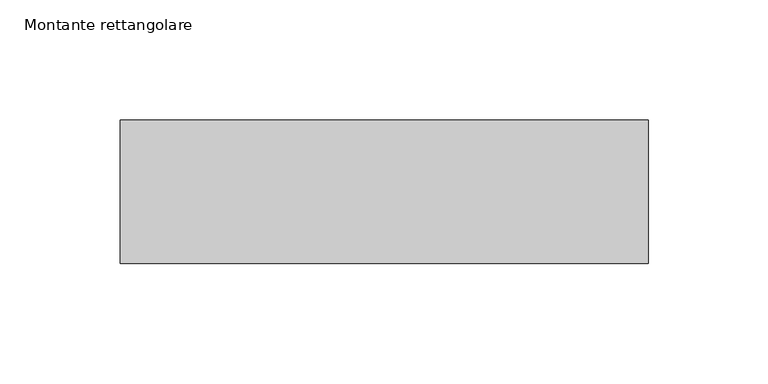
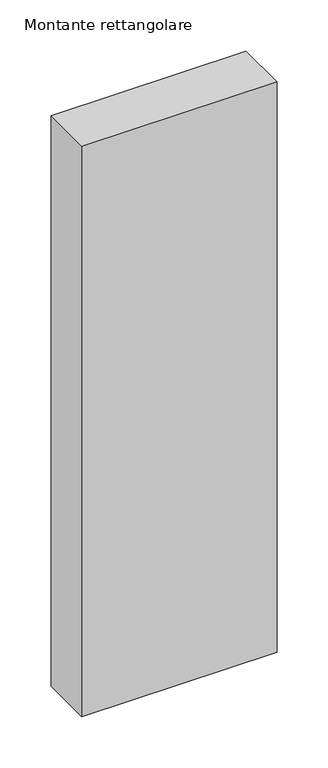
"""IFC4 building model written with IfcOpenShell, lengths in millimetres: member geometry, Montante rettangolare."""

from ifc_helpers import new_model, si_unit, frame, origin, place, context, project, spatial, polyline, outline, extrude, source, transform, mapped, element, save


def montante_rettangolare_5f345780(model_context):
    return source(origin(), model_context, "Body", "SweptSolid", [
        extrude(outline(polyline([(110.0, 30.0), (110.0, -30.0), (-110.0, -30.0), (-110.0, 30.0), (110.0, 30.0)])), frame((0.0, 0.0, -680.0), z_axis=(0.0, 0.0, 1.0), x_axis=(1.0, 0.0, 0.0)), (0.0, 0.0, 1.0), 680.0),
    ])


if __name__ == "__main__":
    model = new_model("IFC4")
    model_context = context("Model", 3, world=origin())
    ifc_project = project(units=[si_unit("LENGTHUNIT", "METRE", prefix="MILLI")], contexts=[model_context])
    site = spatial("IfcSite", under=ifc_project)
    building = spatial("IfcBuilding", under=site)
    placement = place(None, origin())
    montante_rettangolare_shape = montante_rettangolare_5f345780(model_context)
    element("IfcMember", 1, ObjectType="Montante rettangolare", at=placement, inside=building, context=model_context, shape_type="MappedRepresentation", body=[
        mapped(montante_rettangolare_shape, transform((0.0, 0.0, 0.0), x_axis=(1.0, 0.0, 0.0), y_axis=(0.0, 1.0, 0.0), z_axis=(0.0, 0.0, 1.0))),
    ])
    save(model, "model.ifc")
